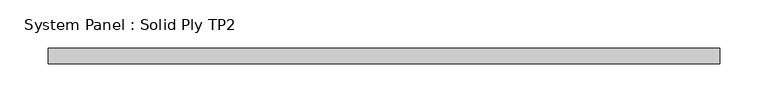
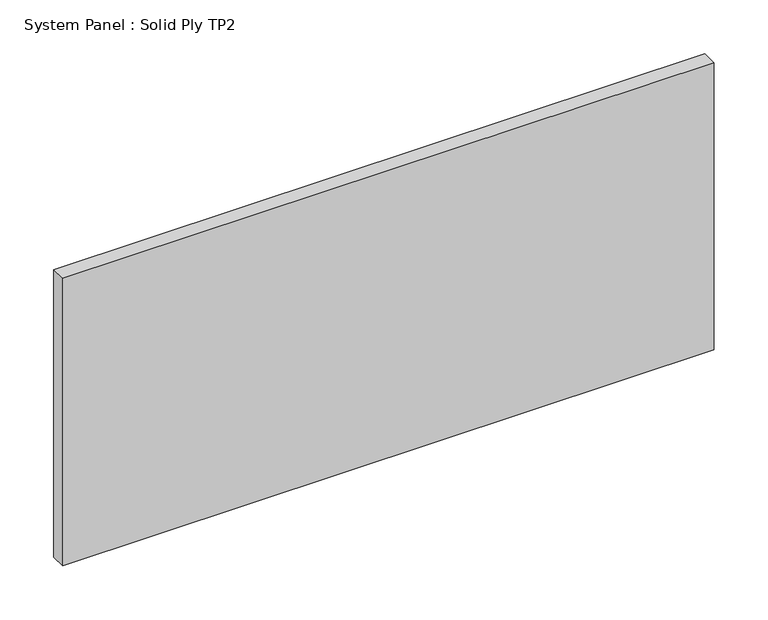
"""IFC4 building model written with IfcOpenShell, lengths in millimetres: plate geometry, System Panel : Solid Ply TP2."""

from ifc_helpers import new_model, si_unit, origin, origin_with_axes, place, context, project, spatial, polyline, outline, extrude, source, transform, mapped, element, save


def system_panel_solid_ply_tp2_784aa8b0(model_context):
    return source(origin(), model_context, "Body", "SweptSolid", [
        extrude(outline(polyline([(348.4999995, -23.0), (-348.4999995, -23.0), (-348.4999995, -7.0), (348.4999995, -7.0), (348.4999995, -23.0)])), origin_with_axes(), (0.0, 0.0, 1.0), 325.0),
    ])


if __name__ == "__main__":
    model = new_model("IFC4")
    model_context = context("Model", 3, world=origin())
    ifc_project = project(units=[si_unit("LENGTHUNIT", "METRE", prefix="MILLI")], contexts=[model_context])
    site = spatial("IfcSite", under=ifc_project)
    building = spatial("IfcBuilding", under=site)
    placement = place(None, origin())
    system_panel_solid_ply_tp2_shape = system_panel_solid_ply_tp2_784aa8b0(model_context)
    element("IfcPlate", 1, ObjectType="System Panel : Solid Ply TP2", at=placement, inside=building, context=model_context, shape_type="MappedRepresentation", body=[
        mapped(system_panel_solid_ply_tp2_shape, transform((0.0, 0.0, 0.0), x_axis=(1.0, 0.0, 0.0), y_axis=(0.0, 1.0, 0.0), z_axis=(0.0, 0.0, 1.0))),
    ])
    save(model, "model.ifc")
